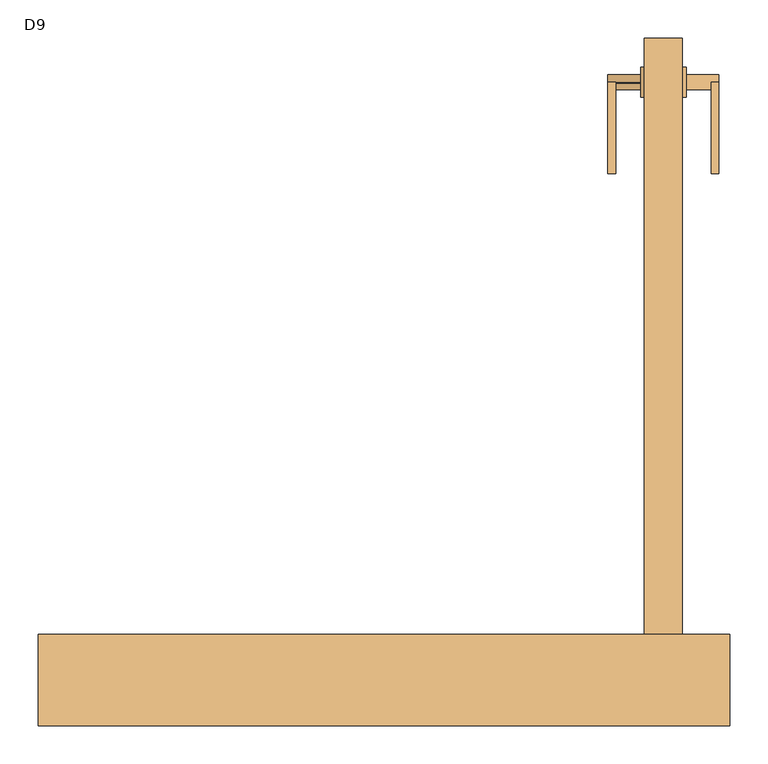
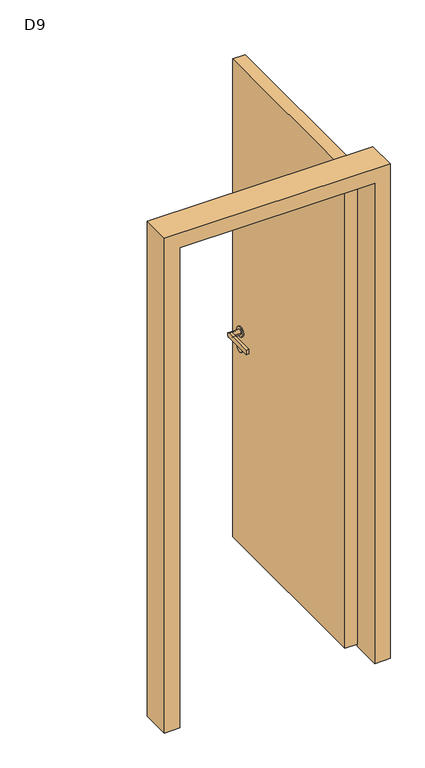
"""IFC4 building model written with IfcOpenShell, lengths in millimetres: door geometry, D9."""

from ifc_helpers import new_model, si_unit, point, frame, frame_2d, origin, place, context, project, spatial, polyline, circle_curve, trimmed, segment, composite_curve, outline, extrude, source, transform, mapped, element, save
from ifc_brep_helpers import plane_surface, cylinder_surface, advanced_brep


def d9_c1c50973(model_context):
    return source(origin(), model_context, "Body", "SolidModel", [
        extrude(outline(composite_curve([segment(trimmed(circle_curve(frame_2d((827.0, 920.0)), 20.0), [point((847.0, 920.0))], [point((807.0, 920.0))], False, "CARTESIAN"), True, "CONTINUOUS"), segment(trimmed(circle_curve(frame_2d((827.0, 920.0)), 20.0), [point((807.0, 920.0))], [point((847.0, 920.0))], False, "CARTESIAN"), True, "CONTINUOUS")], self_intersect=False)), frame((392.5, 0.0, 0.0), z_axis=(1.0, 0.0, 0.0), x_axis=(0.0, 1.0, 0.0)), (0.0, 0.0, 1.0), 5.0),
        advanced_brep(
        [(440.5, 827.0, 910.0), (440.5, 837.0, 920.0), (440.5, 827.0, 930.0), (440.5, 707.0, 930.0), (440.5, 707.0, 910.0), (430.5, 827.0, 930.0), (430.5, 817.0, 920.0), (430.5, 827.0, 910.0), (430.5, 707.0, 910.0), (430.5, 707.0, 930.0), (397.5, 837.0, 920.0), (397.5, 817.0, 920.0)],
        [
            (0, 1, circle_curve(frame((440.5, 827.0, 920.0), z_axis=(1.0, 0.0, 0.0), x_axis=(0.0, -1.0000000000000002, 0.0)), 10.0)),
            (1, 2, circle_curve(frame((440.5, 827.0, 920.0), z_axis=(1.0, 0.0, 0.0), x_axis=(0.0, -1.0000000000000002, 0.0)), 10.0)),
            (2, 3),
            (3, 4),
            (4, 0),
            (5, 6, circle_curve(frame((430.5, 827.0, 920.0), z_axis=(1.0, 0.0, 0.0), x_axis=(0.0, -1.0000000000000002, 0.0)), 10.0)),
            (6, 7, circle_curve(frame((430.5, 827.0, 920.0), z_axis=(1.0, 0.0, 0.0), x_axis=(0.0, -1.0000000000000002, 0.0)), 10.0)),
            (7, 8),
            (8, 9),
            (9, 5),
            (4, 8),
            (7, 0),
            (3, 9),
            (2, 5),
            (10, 11, circle_curve(frame((397.5, 827.0, 920.0), z_axis=(-1.0, 0.0, 0.0), x_axis=(0.0, -1.0000000000000002, 0.0)), 10.0)),
            (11, 10, circle_curve(frame((397.5, 827.0, 920.0), z_axis=(-1.0, 0.0, 0.0), x_axis=(0.0, -1.0000000000000002, 0.0)), 10.0)),
            (10, 1),
            (6, 11),
        ],
        [
            plane_surface(frame((440.5, 840.6268847, 910.0), z_axis=(1.0, 0.0, 0.0), x_axis=(0.0, -1.0, 0.0))),
            plane_surface(frame((430.5, 840.6268847, 910.0), z_axis=(-1.0, 0.0, 0.0), x_axis=(0.0, 1.0, 0.0))),
            plane_surface(frame((440.5, 827.0, 910.0), z_axis=(0.0, 0.0, -1.0), x_axis=(-1.0, 0.0, 0.0))),
            plane_surface(frame((440.5, 707.0, 910.0), z_axis=(0.0, -1.0, 0.0), x_axis=(-1.0, 0.0, 0.0))),
            plane_surface(frame((440.5, 707.0, 930.0), z_axis=(0.0, 0.0, 1.0), x_axis=(-1.0, 0.0, 0.0))),
            plane_surface(frame((397.5, 817.0, 920.0), z_axis=(-1.0, 0.0, 0.0), x_axis=(0.0, 0.0, -1.0))),
            cylinder_surface(frame((397.5, 827.0, 920.0), z_axis=(1.0000000000000002, 0.0, 0.0), x_axis=(0.0, -1.0000000000000002, 0.0)), 10.0),
        ],
        [
            (0, [[1, 2, 3, 4, 5]]),
            (1, [[6, 7, 8, 9, 10]]),
            (2, [[11, -8, 12, -5]]),
            (3, [[13, -9, -11, -4]]),
            (4, [[14, -10, -13, -3]]),
            (5, [[15, 16]]),
            (6, [[17, -1, -12, -7, 18, -15]]),
            (6, [[-18, -6, -14, -2, -17, -16]]),
        ],
    ),
        extrude(outline(composite_curve([segment(trimmed(circle_curve(frame_2d((827.0, 855.0)), 20.0), [point((847.0, 855.0))], [point((807.0, 855.0))], False, "CARTESIAN"), True, "CONTINUOUS"), segment(trimmed(circle_curve(frame_2d((827.0, 855.0)), 20.0), [point((807.0, 855.0))], [point((847.0, 855.0))], False, "CARTESIAN"), True, "CONTINUOUS")], self_intersect=False)), frame((392.5, 0.0, 0.0), z_axis=(1.0, 0.0, 0.0), x_axis=(0.0, 1.0, 0.0)), (0.0, 0.0, 1.0), 5.0),
        extrude(outline(composite_curve([segment(trimmed(circle_curve(frame_2d((827.0, 920.0)), 20.0), [point((847.0, 920.0))], [point((807.0, 920.0))], False, "CARTESIAN"), True, "CONTINUOUS"), segment(trimmed(circle_curve(frame_2d((827.0, 920.0)), 20.0), [point((807.0, 920.0))], [point((847.0, 920.0))], False, "CARTESIAN"), True, "CONTINUOUS")], self_intersect=False)), frame((337.5, 0.0, 0.0), z_axis=(1.0, 0.0, 0.0), x_axis=(0.0, 1.0, 0.0)), (0.0, 0.0, 1.0), 5.0),
        advanced_brep(
        [(294.5, 827.0, 910.0), (294.5, 707.0, 910.0), (294.5, 707.0, 930.0), (294.5, 827.0, 930.0), (294.5, 837.0, 920.0), (304.5, 827.0, 930.0), (304.5, 707.0, 930.0), (304.5, 707.0, 910.0), (304.5, 827.0, 910.0), (304.5, 817.0, 920.0), (337.5, 837.0, 920.0), (337.5, 817.0, 920.0)],
        [
            (0, 1),
            (1, 2),
            (2, 3),
            (3, 4, circle_curve(frame((294.5, 827.0, 920.0), z_axis=(-1.0, 0.0, 0.0), x_axis=(0.0, -1.0, 0.0)), 10.0)),
            (4, 0, circle_curve(frame((294.5, 827.0, 920.0), z_axis=(-1.0, 0.0, 0.0), x_axis=(0.0, -1.0, 0.0)), 10.0)),
            (5, 6),
            (6, 7),
            (7, 8),
            (8, 9, circle_curve(frame((304.5, 827.0, 920.0), z_axis=(-1.0, 0.0, 0.0), x_axis=(0.0, -1.0, 0.0)), 10.0)),
            (9, 5, circle_curve(frame((304.5, 827.0, 920.0), z_axis=(-1.0, 0.0, 0.0), x_axis=(0.0, -1.0, 0.0)), 10.0)),
            (0, 8),
            (7, 1),
            (6, 2),
            (5, 3),
            (10, 11, circle_curve(frame((337.5, 827.0, 920.0), z_axis=(1.0, 0.0, 0.0), x_axis=(0.0, -1.0, 0.0)), 10.0)),
            (11, 10, circle_curve(frame((337.5, 827.0, 920.0), z_axis=(1.0, 0.0, 0.0), x_axis=(0.0, -1.0, 0.0)), 10.0)),
            (11, 9),
            (4, 10),
        ],
        [
            plane_surface(frame((294.5, 840.6268847, 910.0), z_axis=(-1.0, 0.0, 0.0), x_axis=(0.0, -1.0, 0.0))),
            plane_surface(frame((304.5, 840.6268847, 910.0), z_axis=(1.0, 0.0, 0.0), x_axis=(0.0, 1.0, 0.0))),
            plane_surface(frame((294.5, 827.0, 910.0), z_axis=(0.0, 0.0, -1.0), x_axis=(1.0, 0.0, 0.0))),
            plane_surface(frame((294.5, 707.0, 910.0), z_axis=(0.0, -1.0, 0.0), x_axis=(1.0, 0.0, 0.0))),
            plane_surface(frame((294.5, 707.0, 930.0), z_axis=(0.0, 0.0, 1.0), x_axis=(1.0, 0.0, 0.0))),
            plane_surface(frame((337.5, 817.0, 920.0), z_axis=(1.0, 0.0, 0.0), x_axis=(0.0, 0.0, -1.0))),
            cylinder_surface(frame((337.5, 827.0, 920.0), z_axis=(-1.0, 0.0, 0.0), x_axis=(0.0, -1.0, 0.0)), 10.0),
        ],
        [
            (0, [[1, 2, 3, 4, 5]]),
            (1, [[6, 7, 8, 9, 10]]),
            (2, [[-1, 11, -8, 12]]),
            (3, [[-2, -12, -7, 13]]),
            (4, [[-3, -13, -6, 14]]),
            (5, [[15, 16]]),
            (6, [[-16, 17, -9, -11, -5, 18]]),
            (6, [[-15, -18, -4, -14, -10, -17]]),
        ],
    ),
        extrude(outline(composite_curve([segment(trimmed(circle_curve(frame_2d((827.0, 855.0)), 20.0), [point((847.0, 855.0))], [point((807.0, 855.0))], False, "CARTESIAN"), True, "CONTINUOUS"), segment(trimmed(circle_curve(frame_2d((827.0, 855.0)), 20.0), [point((807.0, 855.0))], [point((847.0, 855.0))], False, "CARTESIAN"), True, "CONTINUOUS")], self_intersect=False)), frame((337.5, 0.0, 0.0), z_axis=(1.0, 0.0, 0.0), x_axis=(0.0, 1.0, 0.0)), (0.0, 0.0, 1.0), 5.0),
        extrude(outline(polyline([(2110.0, 455.0), (2110.0, -455.0), (0.0, -455.0), (0.0, -392.5), (2047.5, -392.5), (2047.5, 392.5), (0.0, 392.5), (0.0, 455.0), (2110.0, 455.0)])), frame((0.0, -20.0, 0.0), z_axis=(0.0, 1.0, 0.0), x_axis=(0.0, 0.0, 1.0)), (0.0, 0.0, 1.0), 120.0),
        extrude(outline(polyline([(342.5, 885.0), (392.5, 885.0), (392.5, 100.0), (342.5, 100.0), (342.5, 885.0)])), frame((0.0, 0.0, 10.0), z_axis=(0.0, 0.0, 1.0), x_axis=(1.0, 0.0, 0.0)), (0.0, 0.0, 1.0), 2037.5),
    ])


if __name__ == "__main__":
    model = new_model("IFC4")
    model_context = context("Model", 3, world=origin())
    ifc_project = project(units=[si_unit("LENGTHUNIT", "METRE", prefix="MILLI")], contexts=[model_context])
    site = spatial("IfcSite", under=ifc_project)
    building = spatial("IfcBuilding", under=site)
    placement = place(None, origin())
    d9_shape = d9_c1c50973(model_context)
    element("IfcDoor", 1, ObjectType="D9", at=placement, inside=building, context=model_context, shape_type="MappedRepresentation", body=[
        mapped(d9_shape, transform((0.0, 0.0, 0.0), x_axis=(1.0, 0.0, 0.0), y_axis=(0.0, 1.0, 0.0), z_axis=(0.0, 0.0, 1.0))),
    ])
    save(model, "model.ifc")
